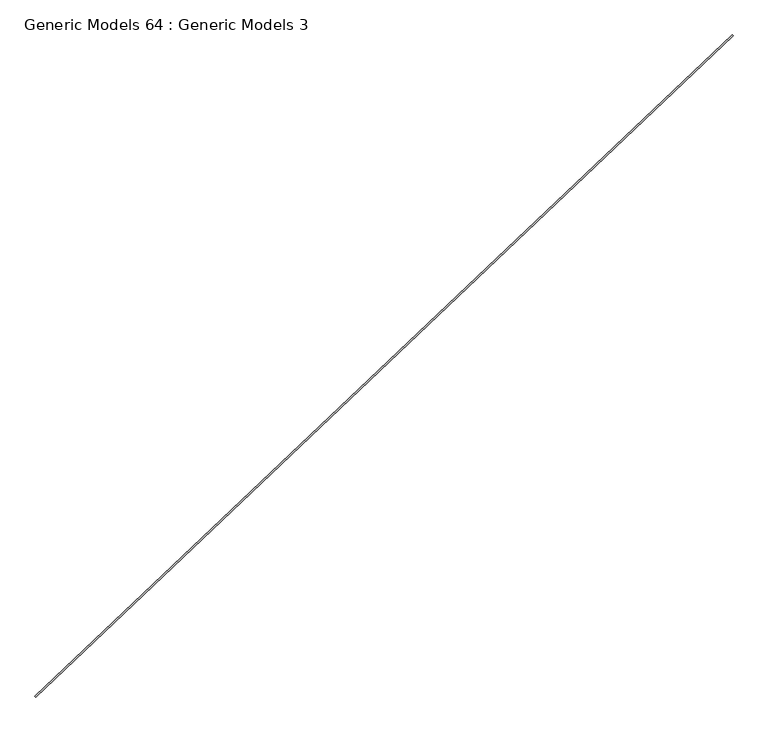
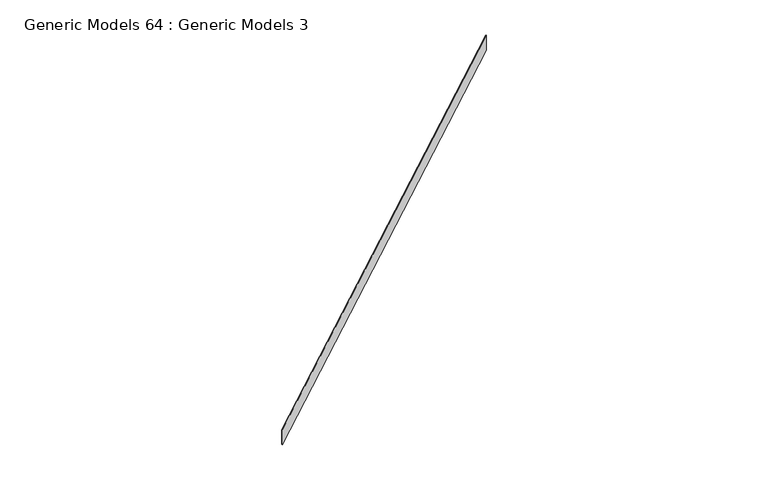
"""IFC4 building model written with IfcOpenShell, lengths in millimetres: proxy geometry, Generic Models 64 : Generic Models 3."""

from ifc_helpers import new_model, si_unit, frame, origin, place, context, project, spatial, polyline, outline, extrude, source, transform, mapped, element, save


def generic_models_64_generic_models_3_383ce7ab(model_context):
    return source(origin(), model_context, "Body", "SweptSolid", [
        extrude(outline(polyline([(116252.5077397, 52754.7662479), (116263.4353686, 52743.2509297), (103525.1904423, 40655.1078526), (103514.2628135, 40666.6231707), (116252.5077397, 52754.7662479)])), frame((0.0, 0.0, 17818.1), z_axis=(0.0, 0.0, 1.0), x_axis=(1.0, 0.0, 0.0)), (0.0, 0.0, 1.0), 444.5),
    ])


if __name__ == "__main__":
    model = new_model("IFC4")
    model_context = context("Model", 3, world=origin())
    ifc_project = project(units=[si_unit("LENGTHUNIT", "METRE", prefix="MILLI")], contexts=[model_context])
    site = spatial("IfcSite", under=ifc_project)
    building = spatial("IfcBuilding", under=site)
    placement = place(None, origin())
    generic_models_64_generic_models_3_shape = generic_models_64_generic_models_3_383ce7ab(model_context)
    element("IfcBuildingElementProxy", 1, Name="Generic Models 64 : Generic Models 3", ObjectType="Generic Models 64 : Generic Models 3", at=placement, inside=building, context=model_context, shape_type="MappedRepresentation", body=[
        mapped(generic_models_64_generic_models_3_shape, transform((0.0, 0.0, 0.0), x_axis=(1.0, 0.0, 0.0), y_axis=(0.0, 1.0, 0.0), z_axis=(0.0, 0.0, 1.0))),
    ])
    save(model, "model.ifc")
